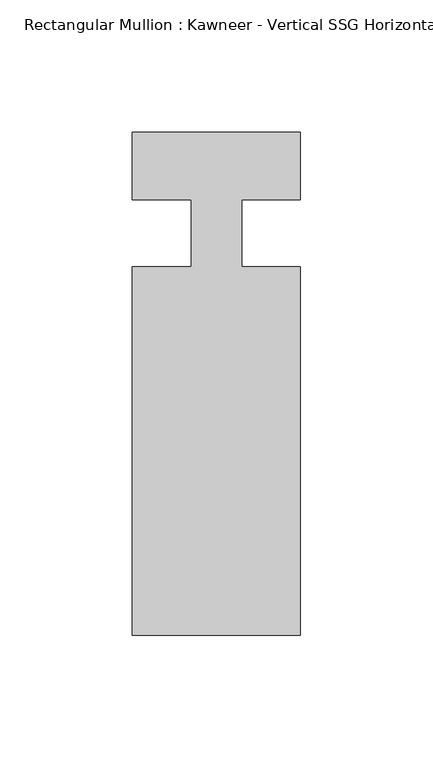
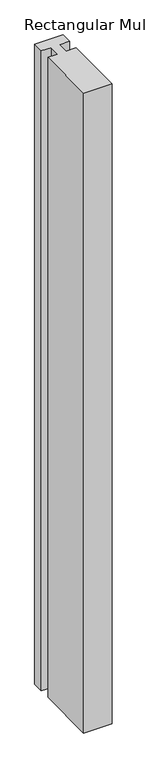
"""IFC4 building model written with IfcOpenShell, lengths in millimetres: member geometry."""

from ifc_helpers import new_model, si_unit, frame, origin, place, context, project, spatial, polyline, outline, extrude, source, transform, mapped, element, save


def member_18ca9e0b(model_context):
    return source(origin(), model_context, "Body", "SweptSolid", [
        extrude(outline(polyline([(-9.525, 12.7), (-31.75, 12.7), (-31.75, 38.1), (31.75, 38.1), (31.75, 12.7), (9.5251132, 12.7), (9.5251132, -12.7), (31.75, -12.7), (31.75, -151.892), (-31.75, -151.892), (-31.75, -12.7), (-9.525, -12.7), (-9.525, 12.7)])), frame((0.0, 0.0, -1513.3454004), z_axis=(0.0, 0.0, 1.0), x_axis=(1.0, 0.0, 0.0)), (0.0, 0.0, 1.0), 1513.3454004),
    ])


if __name__ == "__main__":
    model = new_model("IFC4")
    model_context = context("Model", 3, world=origin())
    ifc_project = project(units=[si_unit("LENGTHUNIT", "METRE", prefix="MILLI")], contexts=[model_context])
    site = spatial("IfcSite", under=ifc_project)
    building = spatial("IfcBuilding", under=site)
    placement = place(None, origin())
    member_shape = member_18ca9e0b(model_context)
    element("IfcMember", 1, ObjectType="Rectangular Mullion : Kawneer - Vertical SSG Horizontal Mullion - 7 1/2\"", at=placement, inside=building, context=model_context, shape_type="MappedRepresentation", body=[
        mapped(member_shape, transform((0.0, 0.0, 0.0), x_axis=(1.0, 0.0, 0.0), y_axis=(0.0, 1.0, 0.0), z_axis=(0.0, 0.0, 1.0))),
    ])
    save(model, "model.ifc")
